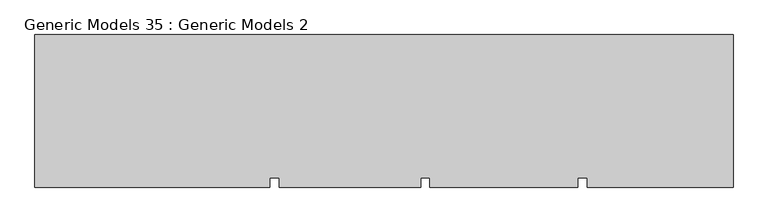
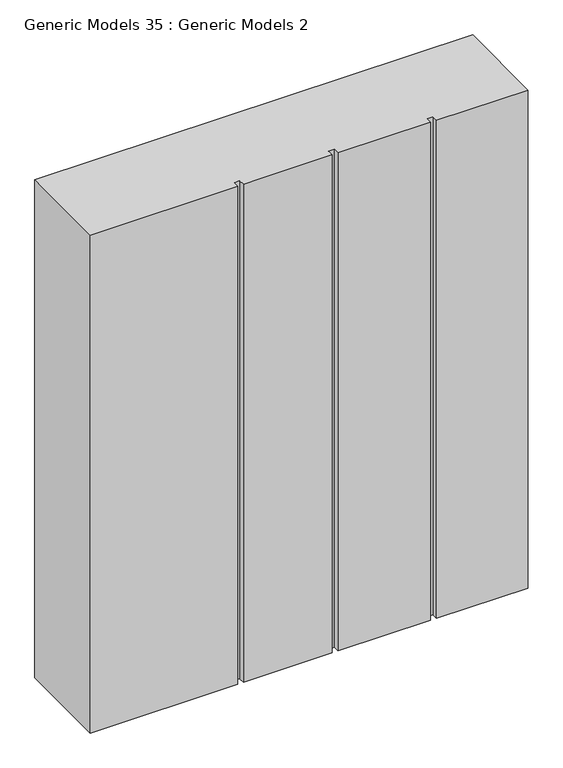
"""IFC4 building model written with IfcOpenShell, lengths in millimetres: proxy geometry, Generic Models 35 : Generic Models 2."""

from ifc_helpers import new_model, si_unit, frame, origin, place, context, project, spatial, polyline, outline, extrude, source, transform, mapped, element, save


def generic_models_35_generic_models_2_3e562df6(model_context):
    return source(origin(), model_context, "Body", "SweptSolid", [
        extrude(outline(polyline([(2231.7164352, -19881.5060032), (2231.7164352, -20368.5482183), (1767.3070227, -20368.5482183), (1767.3070227, -20336.9057177), (1737.2735899, -20336.9057177), (1737.2735899, -20368.5482183), (1267.3070227, -20368.5482183), (1267.3070227, -20336.9057177), (1237.2735899, -20336.9057177), (1237.2735899, -20368.5482183), (787.3070227, -20368.5482183), (787.3070227, -20336.9057177), (757.2735899, -20336.9057177), (757.2735899, -20368.5482183), (10.2901007, -20368.5482183), (10.2901007, -19881.5060032), (2231.7164352, -19881.5060032)])), frame((0.0, 0.0, 15000.0), z_axis=(0.0, 0.0, 1.0), x_axis=(1.0, 0.0, 0.0)), (0.0, 0.0, 1.0), 2669.7384489),
    ])


if __name__ == "__main__":
    model = new_model("IFC4")
    model_context = context("Model", 3, world=origin())
    ifc_project = project(units=[si_unit("LENGTHUNIT", "METRE", prefix="MILLI")], contexts=[model_context])
    site = spatial("IfcSite", under=ifc_project)
    building = spatial("IfcBuilding", under=site)
    placement = place(None, origin())
    generic_models_35_generic_models_2_shape = generic_models_35_generic_models_2_3e562df6(model_context)
    element("IfcBuildingElementProxy", 1, Name="Generic Models 35 : Generic Models 2", ObjectType="Generic Models 35 : Generic Models 2", at=placement, inside=building, context=model_context, shape_type="MappedRepresentation", body=[
        mapped(generic_models_35_generic_models_2_shape, transform((0.0, 0.0, 0.0), x_axis=(1.0, 0.0, 0.0), y_axis=(0.0, 1.0, 0.0), z_axis=(0.0, 0.0, 1.0))),
    ])
    save(model, "model.ifc")
